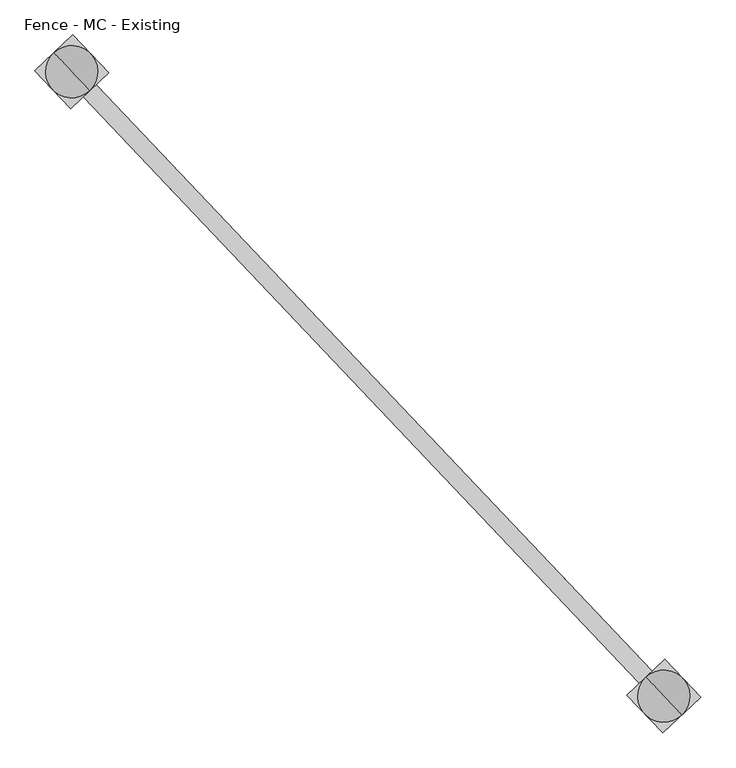
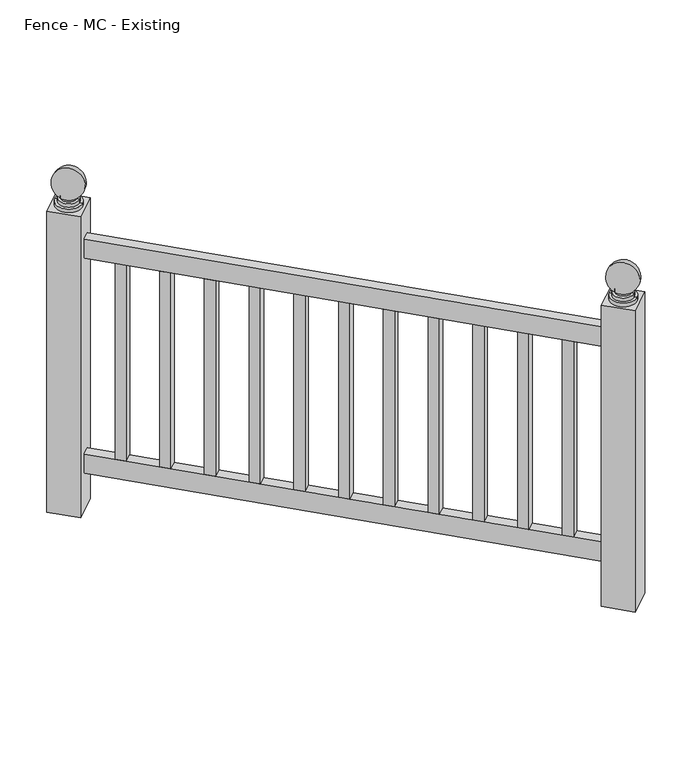
"""IFC4 building model written with IfcOpenShell, lengths in millimetres: railing geometry, Fence - MC - Existing."""

from ifc_helpers import new_model, si_unit, point, frame, origin, place, context, project, spatial, polyline, circle_curve, ellipse_curve, trimmed, outline, extrude, source, transform, mapped, element, save
from ifc_brep_helpers import plane_surface, cylinder_surface, revolved_surface, advanced_brep


def fence_mc_existing_0204f66d(model_context):
    return source(origin(), model_context, "Body", "SolidModel", [
        extrude(outline(polyline([(102346.4116529, 41996.6579296), (102364.836162, 42014.1421358), (103231.6450214, 41100.7161873), (103213.2205124, 41083.231981), (102346.4116529, 41996.6579296)])), frame((0.0, 0.0, 27660.6), z_axis=(0.0, 0.0, 1.0), x_axis=(1.0, 0.0, 0.0)), (0.0, 0.0, 1.0), 50.8),
        extrude(outline(polyline([(102346.4116529, 41996.6579296), (102364.836162, 42014.1421358), (103231.6450214, 41100.7161873), (103213.2205124, 41083.231981), (102346.4116529, 41996.6579296)])), frame((0.0, 0.0, 27089.1), z_axis=(0.0, 0.0, 1.0), x_axis=(1.0, 0.0, 0.0)), (0.0, 0.0, 1.0), 50.8),
        extrude(outline(polyline([(103190.6949289, 41106.9689932), (103209.1194379, 41124.4531995), (103226.6036441, 41106.0286904), (103208.1791351, 41088.5444842), (103190.6949289, 41106.9689932)])), frame((0.0, 0.0, 27139.9), z_axis=(0.0, 0.0, 1.0), x_axis=(1.0, 0.0, 0.0)), (0.0, 0.0, 1.0), 520.7),
        extrude(outline(polyline([(103120.758104, 41180.6670293), (103139.182613, 41198.1512356), (103156.6668193, 41179.7267265), (103138.2423102, 41162.2425203), (103120.758104, 41180.6670293)])), frame((0.0, 0.0, 27139.9), z_axis=(0.0, 0.0, 1.0), x_axis=(1.0, 0.0, 0.0)), (0.0, 0.0, 1.0), 520.7),
        extrude(outline(polyline([(103050.8212791, 41254.3650654), (103069.2457881, 41271.8492717), (103086.7299944, 41253.4247626), (103068.3054853, 41235.9405564), (103050.8212791, 41254.3650654)])), frame((0.0, 0.0, 27139.9), z_axis=(0.0, 0.0, 1.0), x_axis=(1.0, 0.0, 0.0)), (0.0, 0.0, 1.0), 520.7),
        extrude(outline(polyline([(102980.8844542, 41328.0631015), (102999.3089633, 41345.5473078), (103016.7931695, 41327.1227987), (102998.3686605, 41309.6385925), (102980.8844542, 41328.0631015)])), frame((0.0, 0.0, 27139.9), z_axis=(0.0, 0.0, 1.0), x_axis=(1.0, 0.0, 0.0)), (0.0, 0.0, 1.0), 520.7),
        extrude(outline(polyline([(102910.9476293, 41401.7611376), (102929.3721384, 41419.2453438), (102946.8563446, 41400.8208348), (102928.4318356, 41383.3366286), (102910.9476293, 41401.7611376)])), frame((0.0, 0.0, 27139.9), z_axis=(0.0, 0.0, 1.0), x_axis=(1.0, 0.0, 0.0)), (0.0, 0.0, 1.0), 520.7),
        extrude(outline(polyline([(102841.0108044, 41475.4591737), (102859.4353135, 41492.9433799), (102876.9195197, 41474.5188709), (102858.4950107, 41457.0346647), (102841.0108044, 41475.4591737)])), frame((0.0, 0.0, 27139.9), z_axis=(0.0, 0.0, 1.0), x_axis=(1.0, 0.0, 0.0)), (0.0, 0.0, 1.0), 520.7),
        extrude(outline(polyline([(102771.0739796, 41549.1572098), (102789.4984886, 41566.641416), (102806.9826948, 41548.216907), (102788.5581858, 41530.7327008), (102771.0739796, 41549.1572098)])), frame((0.0, 0.0, 27139.9), z_axis=(0.0, 0.0, 1.0), x_axis=(1.0, 0.0, 0.0)), (0.0, 0.0, 1.0), 520.7),
        extrude(outline(polyline([(102701.1371547, 41622.8552459), (102719.5616637, 41640.3394521), (102737.0458699, 41621.9149431), (102718.6213609, 41604.4307369), (102701.1371547, 41622.8552459)])), frame((0.0, 0.0, 27139.9), z_axis=(0.0, 0.0, 1.0), x_axis=(1.0, 0.0, 0.0)), (0.0, 0.0, 1.0), 520.7),
        extrude(outline(polyline([(102631.2003298, 41696.553282), (102649.6248388, 41714.0374882), (102667.109045, 41695.6129792), (102648.684536, 41678.128773), (102631.2003298, 41696.553282)])), frame((0.0, 0.0, 27139.9), z_axis=(0.0, 0.0, 1.0), x_axis=(1.0, 0.0, 0.0)), (0.0, 0.0, 1.0), 520.7),
        extrude(outline(polyline([(102561.2635049, 41770.2513181), (102579.6880139, 41787.7355243), (102597.1722201, 41769.3110153), (102578.7477111, 41751.8268091), (102561.2635049, 41770.2513181)])), frame((0.0, 0.0, 27139.9), z_axis=(0.0, 0.0, 1.0), x_axis=(1.0, 0.0, 0.0)), (0.0, 0.0, 1.0), 520.7),
        extrude(outline(polyline([(102491.32668, 41843.9493542), (102509.751189, 41861.4335604), (102527.2353952, 41843.0090514), (102508.8108862, 41825.5248452), (102491.32668, 41843.9493542)])), frame((0.0, 0.0, 27139.9), z_axis=(0.0, 0.0, 1.0), x_axis=(1.0, 0.0, 0.0)), (0.0, 0.0, 1.0), 520.7),
        extrude(outline(polyline([(102421.3898551, 41917.6473903), (102439.8143641, 41935.1315965), (102457.2985704, 41916.7070875), (102438.8740613, 41899.2228813), (102421.3898551, 41917.6473903)])), frame((0.0, 0.0, 27139.9), z_axis=(0.0, 0.0, 1.0), x_axis=(1.0, 0.0, 0.0)), (0.0, 0.0, 1.0), 520.7),
        extrude(outline(polyline([(102351.4530302, 41991.3454264), (102369.8775392, 42008.8296326), (102387.3617455, 41990.4051236), (102368.9372364, 41972.9209174), (102351.4530302, 41991.3454264)])), frame((0.0, 0.0, 27139.9), z_axis=(0.0, 0.0, 1.0), x_axis=(1.0, 0.0, 0.0)), (0.0, 0.0, 1.0), 520.7),
        advanced_brep(
        [(103244.2880247, 41068.9434479, 27787.6), (103200.5775091, 41115.0047204, 27787.6), (103222.4327669, 41091.9740841, 27787.6), (103244.2880247, 41068.9434479, 27797.125), (103200.5775091, 41115.0047204, 27797.125), (103239.9169731, 41073.5495751, 27797.125), (103204.9485607, 41110.3985932, 27797.125), (103239.9169731, 41073.5495751, 27806.65), (103204.9485607, 41110.3985932, 27806.65), (103235.5459216, 41078.1557024, 27806.65), (103209.3196122, 41105.7924659, 27806.65), (103235.5459216, 41078.1557024, 27811.7544321), (103209.3196122, 41105.7924659, 27811.7544321), (103222.4327669, 41091.9740841, 27882.85)],
        [
            (0, 1, circle_curve(frame((103222.4327669, 41091.9740841, 27787.6), z_axis=(0.0, 0.0, -1.0), x_axis=(-0.6883545756937386, 0.7253743710123023, 0.0)), 31.75)),
            (1, 2),
            (2, 0),
            (1, 0, circle_curve(frame((103222.4327669, 41091.9740841, 27787.6), z_axis=(0.0, 0.0, -1.0), x_axis=(-0.6883545756937386, 0.7253743710123023, 0.0)), 31.75)),
            (0, 3),
            (3, 4, circle_curve(frame((103222.4327669, 41091.9740841, 27797.125), z_axis=(0.0, 0.0, -1.0), x_axis=(-0.6883545756937386, 0.7253743710123023, 0.0)), 31.75)),
            (4, 1),
            (4, 3, circle_curve(frame((103222.4327669, 41091.9740841, 27797.125), z_axis=(0.0, 0.0, -1.0), x_axis=(-0.6883545756937386, 0.7253743710123023, 0.0)), 31.75)),
            (3, 5),
            (5, 6, circle_curve(frame((103222.4327669, 41091.9740841, 27797.125), z_axis=(0.0, 0.0, -1.0), x_axis=(-0.6883545756937386, 0.7253743710123023, 0.0)), 25.4)),
            (6, 4),
            (6, 5, circle_curve(frame((103222.4327669, 41091.9740841, 27797.125), z_axis=(0.0, 0.0, -1.0), x_axis=(-0.6883545756937386, 0.7253743710123023, 0.0)), 25.4)),
            (5, 7),
            (7, 8, circle_curve(frame((103222.4327669, 41091.9740841, 27806.65), z_axis=(0.0, 0.0, -1.0), x_axis=(-0.6883545756937386, 0.7253743710123023, 0.0)), 25.4)),
            (8, 6),
            (8, 7, circle_curve(frame((103222.4327669, 41091.9740841, 27806.65), z_axis=(0.0, 0.0, -1.0), x_axis=(-0.6883545756937386, 0.7253743710123023, 0.0)), 25.4)),
            (7, 9),
            (9, 10, circle_curve(frame((103222.4327669, 41091.9740841, 27806.65), z_axis=(0.0, 0.0, -1.0), x_axis=(-0.6883545756937386, 0.7253743710123023, 0.0)), 19.05)),
            (10, 8),
            (10, 9, circle_curve(frame((103222.4327669, 41091.9740841, 27806.65), z_axis=(0.0, 0.0, -1.0), x_axis=(-0.6883545756937386, 0.7253743710123023, 0.0)), 19.05)),
            (9, 11),
            (11, 12, circle_curve(frame((103222.4327669, 41091.9740841, 27811.7544321), z_axis=(0.0, 0.0, -1.0), x_axis=(-0.6883545756937386, 0.7253743710123023, 0.0)), 19.05)),
            (12, 10),
            (12, 11, circle_curve(frame((103222.4327669, 41091.9740841, 27811.7544321), z_axis=(0.0, 0.0, -1.0), x_axis=(-0.6883545756937386, 0.7253743710123023, 0.0)), 19.05)),
            (11, 13, circle_curve(frame((103222.4327669, 41091.9740841, 27844.75), z_axis=(-0.7253743710123045, -0.6883545756937363, 0.0), x_axis=(0.6883545756937363, -0.7253743710123045, 0.0)), 38.1)),
            (13, 12, circle_curve(frame((103222.4327669, 41091.9740841, 27844.75), z_axis=(-0.7253743710123023, -0.6883545756937386, 0.0), x_axis=(-0.6883545756937386, 0.7253743710123023, 0.0)), 38.1)),
        ],
        [
            plane_surface(frame((103222.4327669, 41091.9740841, 27787.6), z_axis=(0.0, 0.0, -1.0), x_axis=(-0.6883545756937386, 0.7253743710123023, 0.0))),
            cylinder_surface(frame((103222.4327669, 41091.9740841, 27787.6), z_axis=(0.0, 0.0, 1.0), x_axis=(-0.6883545756937386, 0.7253743710123023, 0.0)), 31.75),
            plane_surface(frame((103222.4327669, 41091.9740841, 27797.125), z_axis=(0.0, 0.0, 1.0), x_axis=(-0.6883545756937386, 0.7253743710123023, 0.0))),
            cylinder_surface(frame((103222.4327669, 41091.9740841, 27787.6), z_axis=(0.0, 0.0, 1.0), x_axis=(-0.6883545756937386, 0.7253743710123023, 0.0)), 25.4),
            plane_surface(frame((103222.4327669, 41091.9740841, 27806.65), z_axis=(0.0, 0.0, 1.0), x_axis=(-0.6883545756937386, 0.7253743710123023, 0.0))),
            cylinder_surface(frame((103222.4327669, 41091.9740841, 27787.6), z_axis=(0.0, 0.0, 1.0), x_axis=(-0.6883545756937386, 0.7253743710123023, 0.0)), 19.05),
            revolved_surface(trimmed(ellipse_curve(frame((103222.4327669, 41091.9740841, 27844.75), z_axis=(0.7253743710123023, 0.6883545756937386, 0.0), x_axis=(-0.6883545756937386, 0.7253743710123023, 0.0)), 38.1, 38.1), [point((103209.3196122, 41105.7924659, 27811.7544321))], [point((103222.4327669, 41091.9740841, 27882.85))], True, "CARTESIAN"), (103222.4327669, 41091.9740841, 27787.6), (0.0, 0.0, 1.0)),
        ],
        [
            (0, [[1, 2, 3]]),
            (0, [[-2, 4, -3]]),
            (1, [[-1, 5, 6, 7]]),
            (1, [[-4, -7, 8, -5]]),
            (2, [[-6, 9, 10, 11]]),
            (2, [[-8, -11, 12, -9]]),
            (3, [[-10, 13, 14, 15]]),
            (3, [[-12, -15, 16, -13]]),
            (4, [[-14, 17, 18, 19]]),
            (4, [[-16, -19, 20, -17]]),
            (5, [[-18, 21, 22, 23]]),
            (5, [[-20, -23, 24, -21]]),
            (6, [[-22, 25, 26]]),
            (6, [[-24, -26, -25]]),
        ],
    ),
        extrude(outline(polyline([(103223.8432211, 41145.837157), (103276.2958398, 41090.5636299), (103221.0223127, 41038.1110113), (103168.569694, 41093.3845384), (103223.8432211, 41145.837157)])), frame((0.0, 0.0, 26987.5), z_axis=(0.0, 0.0, 1.0), x_axis=(1.0, 0.0, 0.0)), (0.0, 0.0, 1.0), 800.1),
        advanced_brep(
        [(102377.4791652, 41982.3693964, 27787.6), (102333.7686497, 42028.430669, 27787.6), (102355.6239074, 42005.4000327, 27787.6), (102377.4791652, 41982.3693964, 27797.125), (102333.7686497, 42028.430669, 27797.125), (102373.1081137, 41986.9755236, 27797.125), (102338.1397012, 42023.8245417, 27797.125), (102373.1081137, 41986.9755236, 27806.65), (102338.1397012, 42023.8245417, 27806.65), (102368.7370621, 41991.5816509, 27806.65), (102342.5107528, 42019.2184144, 27806.65), (102368.7370621, 41991.5816509, 27811.7544321), (102342.5107528, 42019.2184144, 27811.7544321), (102355.6239074, 42005.4000327, 27882.85)],
        [
            (0, 1, circle_curve(frame((102355.6239074, 42005.4000327, 27787.6), z_axis=(0.0, 0.0, -1.0), x_axis=(-0.6883545756937386, 0.7253743710123023, 0.0)), 31.75)),
            (1, 2),
            (2, 0),
            (1, 0, circle_curve(frame((102355.6239074, 42005.4000327, 27787.6), z_axis=(0.0, 0.0, -1.0), x_axis=(-0.6883545756937386, 0.7253743710123023, 0.0)), 31.75)),
            (0, 3),
            (3, 4, circle_curve(frame((102355.6239074, 42005.4000327, 27797.125), z_axis=(0.0, 0.0, -1.0), x_axis=(-0.6883545756937386, 0.7253743710123023, 0.0)), 31.75)),
            (4, 1),
            (4, 3, circle_curve(frame((102355.6239074, 42005.4000327, 27797.125), z_axis=(0.0, 0.0, -1.0), x_axis=(-0.6883545756937386, 0.7253743710123023, 0.0)), 31.75)),
            (3, 5),
            (5, 6, circle_curve(frame((102355.6239074, 42005.4000327, 27797.125), z_axis=(0.0, 0.0, -1.0), x_axis=(-0.6883545756937386, 0.7253743710123023, 0.0)), 25.4)),
            (6, 4),
            (6, 5, circle_curve(frame((102355.6239074, 42005.4000327, 27797.125), z_axis=(0.0, 0.0, -1.0), x_axis=(-0.6883545756937386, 0.7253743710123023, 0.0)), 25.4)),
            (5, 7),
            (7, 8, circle_curve(frame((102355.6239074, 42005.4000327, 27806.65), z_axis=(0.0, 0.0, -1.0), x_axis=(-0.6883545756937386, 0.7253743710123023, 0.0)), 25.4)),
            (8, 6),
            (8, 7, circle_curve(frame((102355.6239074, 42005.4000327, 27806.65), z_axis=(0.0, 0.0, -1.0), x_axis=(-0.6883545756937386, 0.7253743710123023, 0.0)), 25.4)),
            (7, 9),
            (9, 10, circle_curve(frame((102355.6239074, 42005.4000327, 27806.65), z_axis=(0.0, 0.0, -1.0), x_axis=(-0.6883545756937386, 0.7253743710123023, 0.0)), 19.05)),
            (10, 8),
            (10, 9, circle_curve(frame((102355.6239074, 42005.4000327, 27806.65), z_axis=(0.0, 0.0, -1.0), x_axis=(-0.6883545756937386, 0.7253743710123023, 0.0)), 19.05)),
            (9, 11),
            (11, 12, circle_curve(frame((102355.6239074, 42005.4000327, 27811.7544321), z_axis=(0.0, 0.0, -1.0), x_axis=(-0.6883545756937386, 0.7253743710123023, 0.0)), 19.05)),
            (12, 10),
            (12, 11, circle_curve(frame((102355.6239074, 42005.4000327, 27811.7544321), z_axis=(0.0, 0.0, -1.0), x_axis=(-0.6883545756937386, 0.7253743710123023, 0.0)), 19.05)),
            (11, 13, circle_curve(frame((102355.6239074, 42005.4000327, 27844.75), z_axis=(-0.7253743710123045, -0.6883545756937363, 0.0), x_axis=(0.6883545756937363, -0.7253743710123045, 0.0)), 38.1)),
            (13, 12, circle_curve(frame((102355.6239074, 42005.4000327, 27844.75), z_axis=(-0.7253743710123023, -0.6883545756937386, 0.0), x_axis=(-0.6883545756937386, 0.7253743710123023, 0.0)), 38.1)),
        ],
        [
            plane_surface(frame((102355.6239074, 42005.4000327, 27787.6), z_axis=(0.0, 0.0, -1.0), x_axis=(-0.6883545756937386, 0.7253743710123023, 0.0))),
            cylinder_surface(frame((102355.6239074, 42005.4000327, 27787.6), z_axis=(0.0, 0.0, 1.0), x_axis=(-0.6883545756937386, 0.7253743710123023, 0.0)), 31.75),
            plane_surface(frame((102355.6239074, 42005.4000327, 27797.125), z_axis=(0.0, 0.0, 1.0), x_axis=(-0.6883545756937386, 0.7253743710123023, 0.0))),
            cylinder_surface(frame((102355.6239074, 42005.4000327, 27787.6), z_axis=(0.0, 0.0, 1.0), x_axis=(-0.6883545756937386, 0.7253743710123023, 0.0)), 25.4),
            plane_surface(frame((102355.6239074, 42005.4000327, 27806.65), z_axis=(0.0, 0.0, 1.0), x_axis=(-0.6883545756937386, 0.7253743710123023, 0.0))),
            cylinder_surface(frame((102355.6239074, 42005.4000327, 27787.6), z_axis=(0.0, 0.0, 1.0), x_axis=(-0.6883545756937386, 0.7253743710123023, 0.0)), 19.05),
            revolved_surface(trimmed(ellipse_curve(frame((102355.6239074, 42005.4000327, 27844.75), z_axis=(0.7253743710123023, 0.6883545756937386, 0.0), x_axis=(-0.6883545756937386, 0.7253743710123023, 0.0)), 38.1, 38.1), [point((102342.5107528, 42019.2184144, 27811.7544321))], [point((102355.6239074, 42005.4000327, 27882.85))], True, "CARTESIAN"), (102355.6239074, 42005.4000327, 27787.6), (0.0, 0.0, 1.0)),
        ],
        [
            (0, [[1, 2, 3]]),
            (0, [[-2, 4, -3]]),
            (1, [[-1, 5, 6, 7]]),
            (1, [[-4, -7, 8, -5]]),
            (2, [[-6, 9, 10, 11]]),
            (2, [[-8, -11, 12, -9]]),
            (3, [[-10, 13, 14, 15]]),
            (3, [[-12, -15, 16, -13]]),
            (4, [[-14, 17, 18, 19]]),
            (4, [[-16, -19, 20, -17]]),
            (5, [[-18, 21, 22, 23]]),
            (5, [[-20, -23, 24, -21]]),
            (6, [[-22, 25, 26]]),
            (6, [[-24, -26, -25]]),
        ],
    ),
        extrude(outline(polyline([(102357.0343616, 42059.2631055), (102409.4869803, 42003.9895785), (102354.2134532, 41951.5369598), (102301.7608346, 42006.8104869), (102357.0343616, 42059.2631055)])), frame((0.0, 0.0, 26987.5), z_axis=(0.0, 0.0, 1.0), x_axis=(1.0, 0.0, 0.0)), (0.0, 0.0, 1.0), 800.1),
    ])


if __name__ == "__main__":
    model = new_model("IFC4")
    model_context = context("Model", 3, world=origin())
    ifc_project = project(units=[si_unit("LENGTHUNIT", "METRE", prefix="MILLI")], contexts=[model_context])
    site = spatial("IfcSite", under=ifc_project)
    building = spatial("IfcBuilding", under=site)
    placement = place(None, origin())
    fence_mc_existing_shape = fence_mc_existing_0204f66d(model_context)
    element("IfcRailing", 1, ObjectType="Fence - MC - Existing", at=placement, inside=building, context=model_context, shape_type="MappedRepresentation", body=[
        mapped(fence_mc_existing_shape, transform((0.0, 0.0, 0.0), x_axis=(1.0, 0.0, 0.0), y_axis=(0.0, 1.0, 0.0), z_axis=(0.0, 0.0, 1.0))),
    ])
    save(model, "model.ifc")
